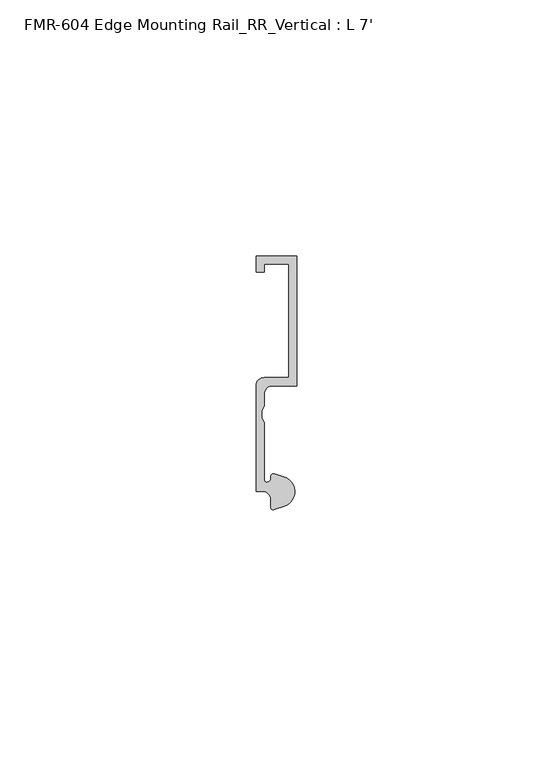
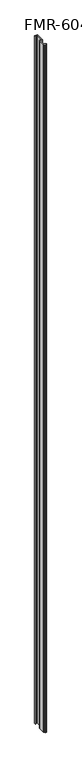
"""IFC4 building model written with IfcOpenShell, lengths in millimetres: proxy geometry, FMR-604 Edge Mounting Rail_RR_Vertical : L 7'."""

from ifc_helpers import new_model, si_unit, point, frame_2d, origin, origin_with_axes, place, context, project, spatial, polyline, circle_curve, trimmed, segment, composite_curve, outline, extrude, source, transform, mapped, element, save


def fmr_604_edge_mounting_rail_rr_vertical_l_7_54956630(model_context):
    return source(origin(), model_context, "Body", "SweptSolid", [
        extrude(outline(composite_curve([segment(polyline([(5.4099313, 0.6224223), (3.5749842, 0.0497144)]), True, "CONTINUOUS"), segment(trimmed(circle_curve(frame_2d((3.3646912, 0.4696291)), 0.4696291), [point((3.5749842, 0.0497144))], [point((2.8950622, 0.4696291))], False, "CARTESIAN"), True, "CONTINUOUS"), segment(polyline([(2.8950622, 0.4696291), (2.8950622, 2.0112392)]), True, "CONTINUOUS"), segment(trimmed(circle_curve(frame_2d((1.3075622, 2.0112392)), 1.5875), [point((2.8950622, 2.0112392))], [point((1.3075622, 3.5987392))], True, "CARTESIAN"), True, "CONTINUOUS"), segment(polyline([(1.3075622, 3.5987392), (0.0, 3.5987392), (0.0, 24.2362392)]), True, "CONTINUOUS"), segment(trimmed(circle_curve(frame_2d((1.5875, 24.2362392)), 1.5875), [point((0.0, 24.2362392))], [point((1.5875, 25.8237392))], False, "CARTESIAN"), True, "CONTINUOUS"), segment(polyline([(1.5875, 25.8237392), (6.35, 25.8237392), (6.35, 48.0300641), (1.5875, 48.0300641), (1.5875, 46.4425641), (0.0, 46.4425641), (0.0, 49.6175641), (7.9375, 49.6175641), (7.9375, 24.2134797), (3.175, 24.2134797)]), True, "CONTINUOUS"), segment(trimmed(circle_curve(frame_2d((3.175, 22.6259797)), 1.5875), [point((3.175, 24.2134797))], [point((1.5875, 22.6259797))], True, "CARTESIAN"), True, "CONTINUOUS"), segment(polyline([(1.5875, 22.6259797), (1.5875, 20.2473512), (1.0783361, 19.3299316), (1.0783361, 17.9897709), (1.5875, 17.0723512), (1.5875, 5.8847392)]), True, "CONTINUOUS"), segment(trimmed(circle_curve(frame_2d((2.0955, 5.8847392)), 0.508), [point((1.5875, 5.8847392))], [point((2.1123834, 5.3770198))], True, "CARTESIAN"), True, "CONTINUOUS"), segment(trimmed(circle_curve(frame_2d((2.1330622, 6.1387392)), 0.762), [point((2.1123834, 5.3770198))], [point((2.8720827, 6.3244611))], True, "CARTESIAN"), True, "CONTINUOUS"), segment(trimmed(circle_curve(frame_2d((3.4254762, 6.4635334)), 0.5706009), [point((2.8720827, 6.3244611))], [point((3.6135887, 7.0022347))], False, "CARTESIAN"), True, "CONTINUOUS"), segment(polyline([(3.6135887, 7.0022347), (5.4099313, 6.4415757)]), True, "CONTINUOUS"), segment(trimmed(circle_curve(frame_2d((4.5018192, 3.531999)), 3.048), [point((5.4099313, 6.4415757))], [point((7.1037699, 1.944499))], False, "CARTESIAN"), True, "CONTINUOUS"), segment(trimmed(circle_curve(frame_2d((4.5018192, 3.531999)), 3.048), [point((7.1037699, 1.944499))], [point((5.4099313, 0.6224223))], False, "CARTESIAN"), True, "CONTINUOUS")], self_intersect=False)), origin_with_axes(), (0.0, 0.0, 1.0), 2133.6),
    ])


if __name__ == "__main__":
    model = new_model("IFC4")
    model_context = context("Model", 3, world=origin())
    ifc_project = project(units=[si_unit("LENGTHUNIT", "METRE", prefix="MILLI")], contexts=[model_context])
    site = spatial("IfcSite", under=ifc_project)
    building = spatial("IfcBuilding", under=site)
    placement = place(None, origin())
    fmr_604_edge_mounting_rail_rr_vertical_l_7_shape = fmr_604_edge_mounting_rail_rr_vertical_l_7_54956630(model_context)
    element("IfcBuildingElementProxy", 1, Name="FMR-604 Edge Mounting Rail_RR_Vertical : L 7'", ObjectType="FMR-604 Edge Mounting Rail_RR_Vertical : L 7'", at=placement, inside=building, context=model_context, shape_type="MappedRepresentation", body=[
        mapped(fmr_604_edge_mounting_rail_rr_vertical_l_7_shape, transform((0.0, 0.0, 0.0), x_axis=(1.0, 0.0, 0.0), y_axis=(0.0, 1.0, 0.0), z_axis=(0.0, 0.0, 1.0))),
    ])
    save(model, "model.ifc")
